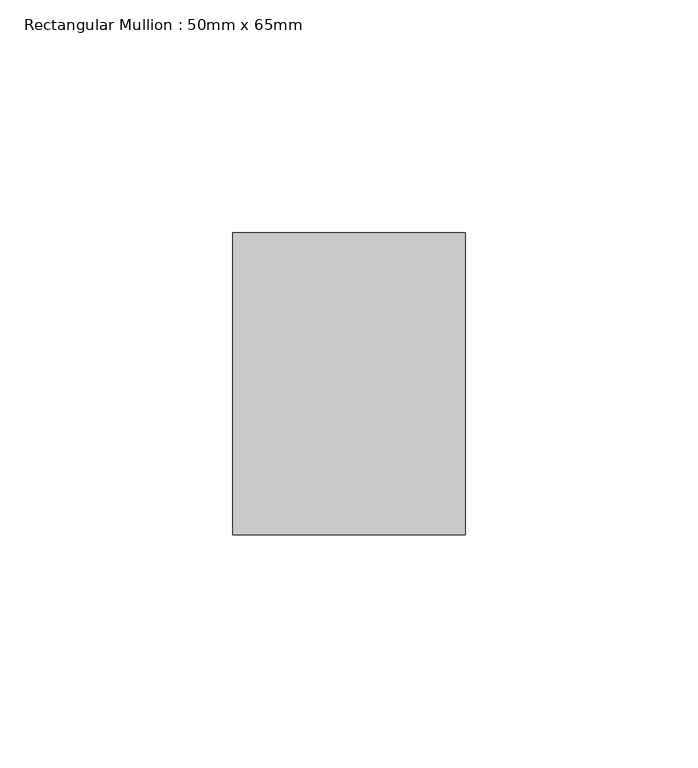
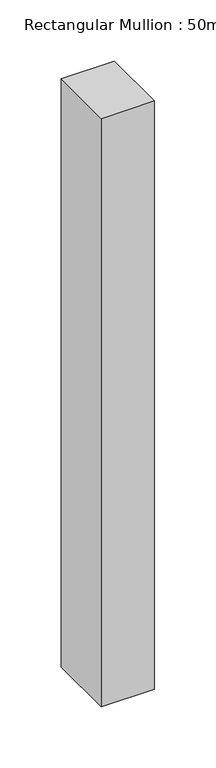
"""IFC4 building model written with IfcOpenShell, lengths in millimetres: member geometry, Rectangular Mullion : 50mm x 65mm."""

from ifc_helpers import new_model, si_unit, frame, origin, place, context, project, spatial, polyline, outline, extrude, source, transform, mapped, element, save


def rectangular_mullion_50mm_x_65mm_df000e0a(model_context):
    return source(origin(), model_context, "Body", "SweptSolid", [
        extrude(outline(polyline([(25.0, 32.5), (25.0, -32.5), (-25.0, -32.5), (-25.0, 32.5), (25.0, 32.5)])), frame((0.0, 0.0, -585.2034537), z_axis=(0.0, 0.0, 1.0), x_axis=(1.0, 0.0, 0.0)), (0.0, 0.0, 1.0), 585.2034537),
    ])


if __name__ == "__main__":
    model = new_model("IFC4")
    model_context = context("Model", 3, world=origin())
    ifc_project = project(units=[si_unit("LENGTHUNIT", "METRE", prefix="MILLI")], contexts=[model_context])
    site = spatial("IfcSite", under=ifc_project)
    building = spatial("IfcBuilding", under=site)
    placement = place(None, origin())
    rectangular_mullion_50mm_x_65mm_shape = rectangular_mullion_50mm_x_65mm_df000e0a(model_context)
    element("IfcMember", 1, ObjectType="Rectangular Mullion : 50mm x 65mm", at=placement, inside=building, context=model_context, shape_type="MappedRepresentation", body=[
        mapped(rectangular_mullion_50mm_x_65mm_shape, transform((0.0, 0.0, 0.0), x_axis=(1.0, 0.0, 0.0), y_axis=(0.0, 1.0, 0.0), z_axis=(0.0, 0.0, 1.0))),
    ])
    save(model, "model.ifc")
